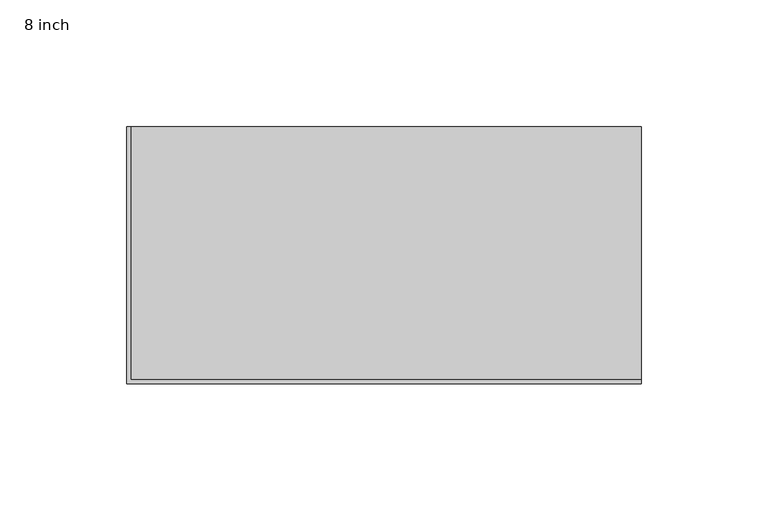
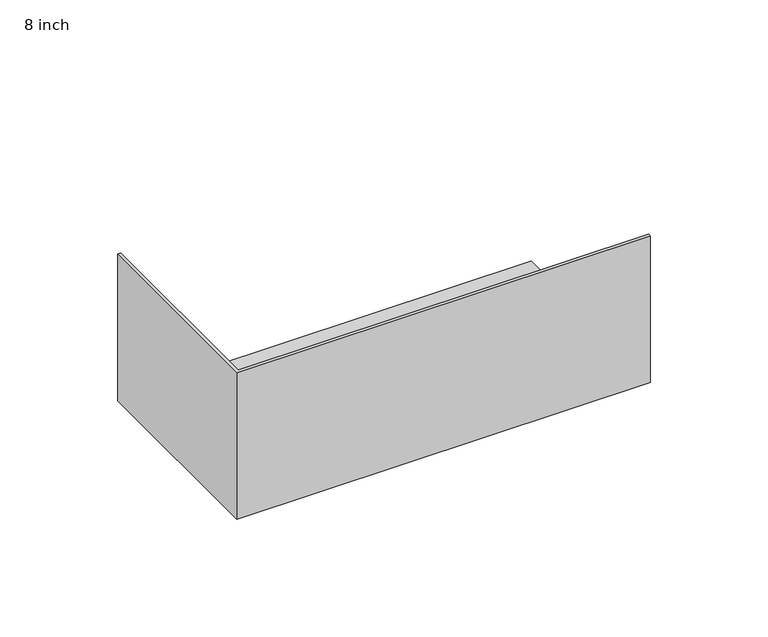
"""IFC4 building model written with IfcOpenShell, lengths in millimetres: proxy geometry, 8 inch."""

import ifcopenshell
import ifcopenshell.guid

model = None  # the IFC model being written
_history = None  # IfcOwnerHistory: only IFC2X3 demands one
_inside = {}  # id of a spatial element -> (the spatial element, [elements in it])
_under = {}  # id of a project, library or spatial element -> (it, [spatial elements below it])
_declared = {}  # id of a project -> (the project, [libraries it declares])
_typed = {}  # id of a type object -> (the type object, [elements of that type])
_made_of = {}  # id of a material, layer set ... -> (it, [elements and type objects made of it])


def new_model(schema):
    """Start an empty IFC model of exactly this schema.

    Asked for "IFC4X3", IfcOpenShell would pick the latest addendum, in which some entities
    have other attributes; the version numbers below select the first issue.
    IFC2X3 requires an IfcOwnerHistory on every rooted entity: one is made here for all.
    """
    global model, _history
    if schema == "IFC4X3":
        model = ifcopenshell.file(schema_version=(4, 3, 0, 0))
    else:
        model = ifcopenshell.file(schema=schema)
    _inside.clear()
    _under.clear()
    _declared.clear()
    _typed.clear()
    _made_of.clear()
    _history = None
    if model.schema == "IFC2X3":
        org = make("IfcOrganization", Name="unknown")
        user = make(
            "IfcPersonAndOrganization",
            ThePerson=make("IfcPerson", FamilyName="unknown"),
            TheOrganization=org,
        )
        app = make(
            "IfcApplication",
            ApplicationDeveloper=org,
            Version="unknown",
            ApplicationFullName="unknown",
            ApplicationIdentifier="unknown",
        )
        _history = make(
            "IfcOwnerHistory",
            OwningUser=user,
            OwningApplication=app,
            ChangeAction="ADDED",
            CreationDate=0,
        )
    return model


def make(cls, **values):
    """One entity of the class cls with the attributes given. An attribute that is None is left unset."""
    return model.create_entity(
        cls, **{name: value for name, value in values.items() if value is not None}
    )


def rooted(cls, **values):
    """An entity with a GlobalId (a new one), such as an element, a storey or a relation."""
    return make(cls, GlobalId=ifcopenshell.guid.new(), OwnerHistory=_history, **values)


def si_unit(unit_type, name, prefix=None):
    """IfcSIUnit, for example si_unit("LENGTHUNIT", "METRE", prefix="MILLI")."""
    return make("IfcSIUnit", UnitType=unit_type, Prefix=prefix, Name=name)


def assignment(units):
    """IfcUnitAssignment: the units of a project."""
    return None if units is None else make("IfcUnitAssignment", Units=units)


def point(xyz):
    """IfcCartesianPoint."""
    return None if xyz is None else make("IfcCartesianPoint", Coordinates=xyz)


def direction(xyz):
    """IfcDirection."""
    return None if xyz is None else make("IfcDirection", DirectionRatios=xyz)


def frame(location, z_axis=None, x_axis=None):
    """IfcAxis2Placement3D, a coordinate frame: its origin and axes. An axis left out is left unset."""
    return make(
        "IfcAxis2Placement3D",
        Location=point(location),
        Axis=direction(z_axis),
        RefDirection=direction(x_axis),
    )


def origin():
    """The frame at (0, 0, 0) with its axes left unset."""
    return frame((0.0, 0.0, 0.0))


def place(relative_to, where):
    """IfcLocalPlacement: puts the frame where relative to a parent placement (None: the world)."""
    return make(
        "IfcLocalPlacement", PlacementRelTo=relative_to, RelativePlacement=where
    )


def context(
    kind, dimensions, precision=None, world=None, true_north=None, identifier=None
):
    """IfcGeometricRepresentationContext, for example the 3D "Model" context."""
    return make(
        "IfcGeometricRepresentationContext",
        ContextIdentifier=identifier,
        ContextType=kind,
        CoordinateSpaceDimension=dimensions,
        Precision=precision,
        WorldCoordinateSystem=world,
        TrueNorth=true_north,
    )


def project(units=None, contexts=None):
    """IfcProject with its units and contexts."""
    return rooted(
        "IfcProject",
        Name="project",
        RepresentationContexts=contexts,
        UnitsInContext=assignment(units),
    )


def spatial(cls, under=None, at=None, **own):
    """A site, building, storey or space (cls), placed at a placement, below another one or the project."""
    s = rooted(cls, ObjectPlacement=at, **own)
    if under is not None:
        _under.setdefault(under.id(), (under, []))[1].append(s)
    return s


def faces_of(points, faces, orient=None, outer=None):
    """IfcFace entities. A face is a list of loops; a loop is a list of indices into points, from 0.

    orient and outer hold one flag for each loop. By default every Orientation is true, the
    first loop of a face is its IfcFaceOuterBound and the others are IfcFaceBound.
    """
    made = []
    for i, loops in enumerate(faces):
        bounds = []
        for j, loop in enumerate(loops):
            is_outer = j == 0 if outer is None else outer[i][j]
            bounds.append(
                make(
                    "IfcFaceOuterBound" if is_outer else "IfcFaceBound",
                    Bound=make("IfcPolyLoop", Polygon=[points[k] for k in loop]),
                    Orientation=True if orient is None else orient[i][j],
                )
            )
        made.append(make("IfcFace", Bounds=bounds))
    return made


def faceted_brep(points, faces, orient=None, outer=None, voids=None):
    """IfcFacetedBrep: a solid bounded by flat faces; with voids (closed shells), ...WithVoids."""
    shared = [point(p) for p in points]
    hull = make("IfcClosedShell", CfsFaces=faces_of(shared, faces, orient, outer))
    if voids is None:
        return make("IfcFacetedBrep", Outer=hull)
    return make(
        "IfcFacetedBrepWithVoids",
        Outer=hull,
        Voids=[
            make(cls, CfsFaces=faces_of(shared, fs, o, b)) for cls, fs, o, b in voids
        ],
    )


def shape(context_of_items, identifier, shape_type, items):
    """IfcShapeRepresentation: the items that make up one representation, for example the "Body"."""
    return make(
        "IfcShapeRepresentation",
        ContextOfItems=context_of_items,
        RepresentationIdentifier=identifier,
        RepresentationType=shape_type,
        Items=items,
    )


def source(mapping_origin, context_of_items, identifier, shape_type, items):
    """IfcRepresentationMap: a shape defined once, which mapped items show again and again."""
    return make(
        "IfcRepresentationMap",
        MappingOrigin=mapping_origin,
        MappedRepresentation=shape(context_of_items, identifier, shape_type, items),
    )


def transform(
    local_origin,
    x_axis=None,
    y_axis=None,
    z_axis=None,
    scale=None,
    scale2=None,
    scale3=None,
    uniform=True,
):
    """IfcCartesianTransformationOperator3D, or its non-uniform kind. x_axis, y_axis, z_axis: its Axis1, 2, 3."""
    if uniform:
        return make(
            "IfcCartesianTransformationOperator3D",
            Axis1=direction(x_axis),
            Axis2=direction(y_axis),
            LocalOrigin=point(local_origin),
            Scale=scale,
            Axis3=direction(z_axis),
        )
    return make(
        "IfcCartesianTransformationOperator3DnonUniform",
        Axis1=direction(x_axis),
        Axis2=direction(y_axis),
        LocalOrigin=point(local_origin),
        Scale=scale,
        Axis3=direction(z_axis),
        Scale2=scale2,
        Scale3=scale3,
    )


def mapped(mapping_source, mapping_target):
    """IfcMappedItem: shows the shape of a source again, moved by a transform."""
    return make(
        "IfcMappedItem", MappingSource=mapping_source, MappingTarget=mapping_target
    )


def made_of(thing, what):
    """Note that an element or type object is made of a material, layer set ...; save() writes the relation."""
    if what is not None:
        _made_of.setdefault(what.id(), (what, []))[1].append(thing)
    return thing


def element(
    cls,
    number,
    at=None,
    inside=None,
    cuts=None,
    type_object=None,
    material=None,
    context=None,
    identifier="Body",
    shape_type=None,
    held_by="IfcProductDefinitionShape",
    body=None,
    shapes=None,
    **own,
):
    """One element of the class cls, such as IfcWall. Its Tag is "e" and its number.

    at: its placement. inside: the storey or other place that contains it. cuts: it is an
    opening in that element (IfcRelVoidsElement). A single representation is given by context,
    identifier, shape_type and body (its items); several are given by shapes. held_by: the class
    of the entity that holds the representations. save() writes the other relations.
    """
    e = rooted(cls, Tag="e%d" % number, ObjectPlacement=at, **own)
    if body is not None:
        shapes = [shape(context, identifier, shape_type, body)]
    if shapes is not None:
        e.Representation = make(held_by, Representations=shapes)
    if inside is not None:
        _inside.setdefault(inside.id(), (inside, []))[1].append(e)
    if cuts is not None:
        rooted(
            "IfcRelVoidsElement", RelatingBuildingElement=cuts, RelatedOpeningElement=e
        )
    if type_object is not None:
        _typed.setdefault(type_object.id(), (type_object, []))[1].append(e)
    return made_of(e, material)


def aggregate(whole, parts):
    """IfcRelAggregates: a whole, such as a stair, and the parts it consists of."""
    return rooted("IfcRelAggregates", RelatingObject=whole, RelatedObjects=parts)


def save(model, path):
    """Write the relations noted so far, then the file.

    IfcRelAggregates (storeys below a building ...), IfcRelContainedInSpatialStructure (elements
    in a storey), IfcRelDefinesByType, IfcRelAssociatesMaterial and IfcRelDeclares: one each for
    every whole, place, type object, material and project.
    """
    for whole, parts in _under.values():
        aggregate(whole, parts)
    for where, things in _inside.values():
        rooted(
            "IfcRelContainedInSpatialStructure",
            RelatedElements=things,
            RelatingStructure=where,
        )
    for kind, things in _typed.values():
        rooted("IfcRelDefinesByType", RelatedObjects=things, RelatingType=kind)
    for what, things in _made_of.values():
        rooted("IfcRelAssociatesMaterial", RelatedObjects=things, RelatingMaterial=what)
    for by, libraries in _declared.values():
        rooted("IfcRelDeclares", RelatingContext=by, RelatedDefinitions=libraries)
    model.write(path)


def proxy_8_inch_e2ba523a(model_context):
    return source(origin(), model_context, "Body", "Brep", [
        faceted_brep([(203.2, 101.6, 1.5875), (1.5875, 101.6, 1.5875), (1.5875, 1.5875, 1.5875), (203.2, 1.5875, 1.5875), (203.2, 101.6, 0.0), (203.2, 0.0, 0.0), (0.0, 0.0, 0.0), (0.0, 101.6, 0.0), (0.0, 101.6, 76.2), (1.5875, 101.6, 76.2), (0.0, 0.0, 76.2), (203.2, 0.0, 76.2), (203.2, 1.5875, 76.2), (1.5875, 1.5875, 76.2)], [[[0, 1, 2, 3]], [[4, 5, 6, 7]], [[0, 4, 7, 8, 9, 1]], [[8, 7, 6, 10]], [[10, 6, 5, 11]], [[4, 0, 3, 12, 11, 5]], [[10, 11, 12, 13, 9, 8]], [[13, 12, 3, 2]], [[9, 13, 2, 1]]]),
    ])


if __name__ == "__main__":
    model = new_model("IFC4")
    model_context = context("Model", 3, world=origin())
    ifc_project = project(units=[si_unit("LENGTHUNIT", "METRE", prefix="MILLI")], contexts=[model_context])
    site = spatial("IfcSite", under=ifc_project)
    building = spatial("IfcBuilding", under=site)
    placement = place(None, origin())
    proxy_8_inch_shape = proxy_8_inch_e2ba523a(model_context)
    element("IfcBuildingElementProxy", 1, Name="8 inch", ObjectType="8 inch", at=placement, inside=building, context=model_context, shape_type="MappedRepresentation", body=[
        mapped(proxy_8_inch_shape, transform((0.0, 0.0, 0.0), x_axis=(1.0, 0.0, 0.0), y_axis=(0.0, 1.0, 0.0), z_axis=(0.0, 0.0, 1.0))),
    ])
    save(model, "model.ifc")
